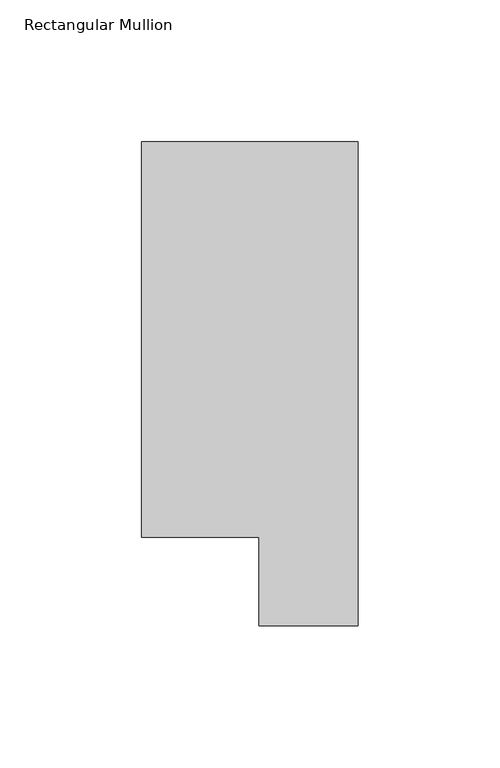
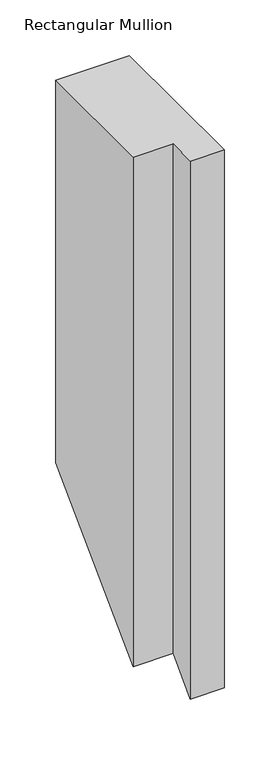
"""IFC4 building model written with IfcOpenShell, lengths in millimetres: member geometry, Rectangular Mullion."""

from ifc_helpers import new_model, si_unit, origin, place, context, project, spatial, faceted_brep, source, transform, mapped, element, save


def rectangular_mullion_e5503f13(model_context):
    return source(origin(), model_context, "Body", "Brep", [
        faceted_brep([(-76.2, 190.0007313, 0.0), (-76.2, 50.820278, 0.0), (-34.9123, 50.820278, 0.0), (-34.9123, 19.5667313, 0.0), (0.0, 19.5667313, 0.0), (0.0, 190.0007313, 0.0), (-76.2, 190.0007313, -419.3111375), (-76.2, 50.820278, -558.4915908), (-34.9123, 50.820278, -558.4915908), (-34.9123, 19.5667313, -589.7451375), (0.0, 19.5667313, -589.7451375), (0.0, 190.0007313, -419.3111375)], [[[0, 1, 2, 3, 4, 5]], [[1, 0, 6, 7]], [[2, 1, 7, 8]], [[3, 2, 8, 9]], [[4, 3, 9, 10]], [[5, 4, 10, 11]], [[0, 5, 11, 6]], [[6, 11, 10, 9, 8, 7]]]),
    ])


if __name__ == "__main__":
    model = new_model("IFC4")
    model_context = context("Model", 3, world=origin())
    ifc_project = project(units=[si_unit("LENGTHUNIT", "METRE", prefix="MILLI")], contexts=[model_context])
    site = spatial("IfcSite", under=ifc_project)
    building = spatial("IfcBuilding", under=site)
    placement = place(None, origin())
    rectangular_mullion_shape = rectangular_mullion_e5503f13(model_context)
    element("IfcMember", 1, ObjectType="Rectangular Mullion", at=placement, inside=building, context=model_context, shape_type="MappedRepresentation", body=[
        mapped(rectangular_mullion_shape, transform((0.0, 0.0, 0.0), x_axis=(1.0, 0.0, 0.0), y_axis=(0.0, 1.0, 0.0), z_axis=(0.0, 0.0, 1.0))),
    ])
    save(model, "model.ifc")
